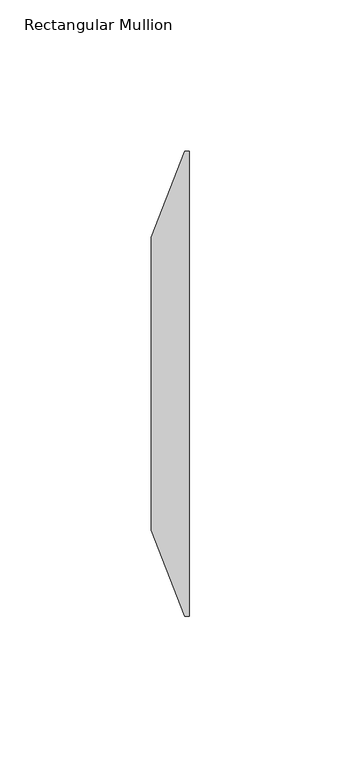
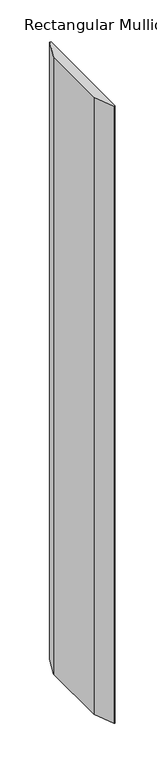
"""IFC4 building model written with IfcOpenShell, lengths in millimetres: member geometry, Rectangular Mullion."""

from ifc_helpers import new_model, si_unit, frame, origin, place, context, project, spatial, polyline, outline, extrude, source, transform, mapped, element, save


def rectangular_mullion_a370a9e0(model_context):
    return source(origin(), model_context, "Body", "SweptSolid", [
        extrude(outline(polyline([(0.0, 66.675), (0.0, -87.3125), (-1.5875, -87.3125), (-12.7, -58.7375), (-12.7, 38.1), (-1.5875, 66.675), (0.0, 66.675)])), frame((0.0, 0.0, -900.43), z_axis=(0.0, 0.0, 1.0), x_axis=(1.0, 0.0, 0.0)), (0.0, 0.0, 1.0), 900.43),
    ])


if __name__ == "__main__":
    model = new_model("IFC4")
    model_context = context("Model", 3, world=origin())
    ifc_project = project(units=[si_unit("LENGTHUNIT", "METRE", prefix="MILLI")], contexts=[model_context])
    site = spatial("IfcSite", under=ifc_project)
    building = spatial("IfcBuilding", under=site)
    placement = place(None, origin())
    rectangular_mullion_shape = rectangular_mullion_a370a9e0(model_context)
    element("IfcMember", 1, ObjectType="Rectangular Mullion", at=placement, inside=building, context=model_context, shape_type="MappedRepresentation", body=[
        mapped(rectangular_mullion_shape, transform((0.0, 0.0, 0.0), x_axis=(1.0, 0.0, 0.0), y_axis=(0.0, 1.0, 0.0), z_axis=(0.0, 0.0, 1.0))),
    ])
    save(model, "model.ifc")
